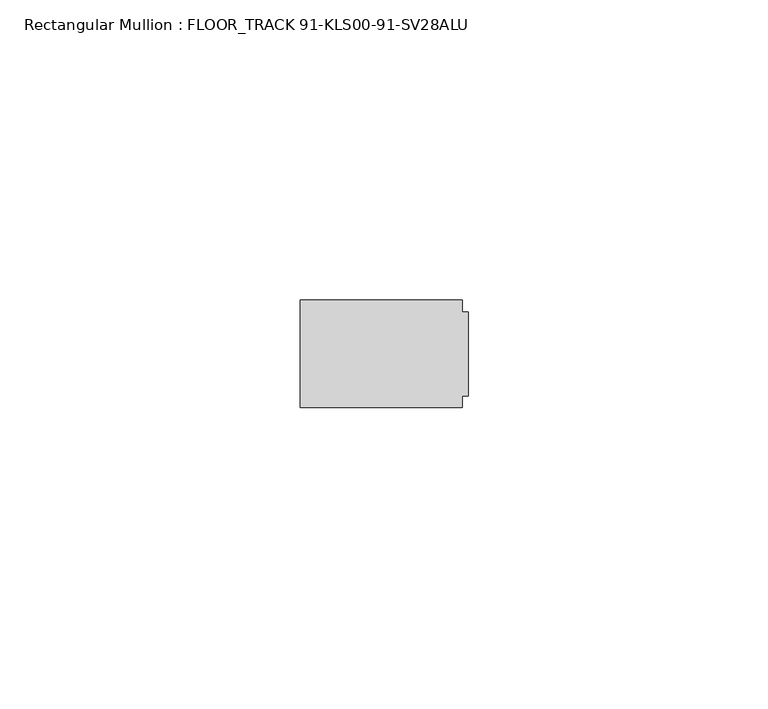
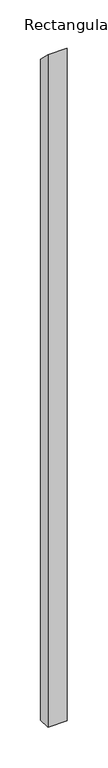
"""IFC4 building model written with IfcOpenShell, lengths in millimetres: member geometry, Rectangular Mullion : FLOOR_TRACK 91-KLS00-91-SV28ALU."""

from ifc_helpers import new_model, si_unit, origin, place, context, project, spatial, faceted_brep, source, transform, mapped, element, save


def rectangular_mullion_floor_track_91_kls00_91_sv28alu_e4d56415(model_context):
    return source(origin(), model_context, "Body", "Brep", [
        faceted_brep([(-1.0, 9.0, -1000.0), (-1.0, 7.0, -1000.0), (0.0, 7.0, -1000.0), (0.0, -7.0, -1000.0), (-1.0, -7.0, -1000.0), (-1.0, -9.0, -1000.0), (-28.0, -9.0, -1000.0), (-28.0, 9.0, -1000.0), (-28.0, 9.0, -9.0), (-1.0, 9.0, -9.0), (-28.0, -9.0, 9.0), (-1.0, -9.0, 9.0), (-1.0, -7.0, 7.0), (0.0, -7.0, 7.0), (0.0, 7.0, -7.0), (-1.0, 7.0, -7.0)], [[[0, 1, 2, 3, 4, 5, 6, 7]], [[8, 9, 0, 7]], [[10, 8, 7, 6]], [[11, 10, 6, 5]], [[12, 11, 5, 4]], [[13, 12, 4, 3]], [[14, 13, 3, 2]], [[15, 14, 2, 1]], [[9, 15, 1, 0]], [[9, 8, 10, 11, 12, 13, 14, 15]]]),
    ])


if __name__ == "__main__":
    model = new_model("IFC4")
    model_context = context("Model", 3, world=origin())
    ifc_project = project(units=[si_unit("LENGTHUNIT", "METRE", prefix="MILLI")], contexts=[model_context])
    site = spatial("IfcSite", under=ifc_project)
    building = spatial("IfcBuilding", under=site)
    placement = place(None, origin())
    rectangular_mullion_floor_track_91_kls00_91_sv28alu_shape = rectangular_mullion_floor_track_91_kls00_91_sv28alu_e4d56415(model_context)
    element("IfcMember", 1, ObjectType="Rectangular Mullion : FLOOR_TRACK 91-KLS00-91-SV28ALU", at=placement, inside=building, context=model_context, shape_type="MappedRepresentation", body=[
        mapped(rectangular_mullion_floor_track_91_kls00_91_sv28alu_shape, transform((0.0, 0.0, 0.0), x_axis=(1.0, 0.0, 0.0), y_axis=(0.0, 1.0, 0.0), z_axis=(0.0, 0.0, 1.0))),
    ])
    save(model, "model.ifc")
